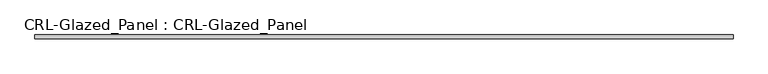
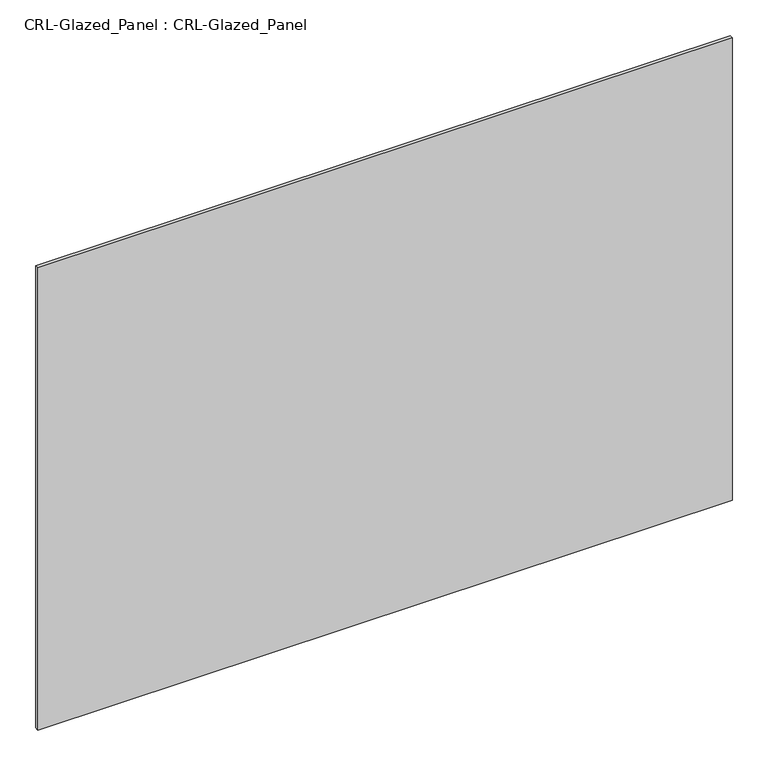
"""IFC4 building model written with IfcOpenShell, lengths in millimetres: plate geometry, CRL-Glazed_Panel : CRL-Glazed_Panel."""

from ifc_helpers import new_model, si_unit, origin, origin_with_axes, place, context, project, spatial, polyline, outline, extrude, source, transform, mapped, element, save


def crl_glazed_panel_crl_glazed_panel_dafc74b9(model_context):
    return source(origin(), model_context, "Body", "SweptSolid", [
        extrude(outline(polyline([(564.6208333, 3.1749999), (564.6208333, -3.1749999), (-564.6208333, -3.1749999), (-564.6208333, 3.1749999), (564.6208333, 3.1749999)])), origin_with_axes(), (0.0, 0.0, 1.0), 794.5565195),
    ])


if __name__ == "__main__":
    model = new_model("IFC4")
    model_context = context("Model", 3, world=origin())
    ifc_project = project(units=[si_unit("LENGTHUNIT", "METRE", prefix="MILLI")], contexts=[model_context])
    site = spatial("IfcSite", under=ifc_project)
    building = spatial("IfcBuilding", under=site)
    placement = place(None, origin())
    crl_glazed_panel_crl_glazed_panel_shape = crl_glazed_panel_crl_glazed_panel_dafc74b9(model_context)
    element("IfcPlate", 1, ObjectType="CRL-Glazed_Panel : CRL-Glazed_Panel", at=placement, inside=building, context=model_context, shape_type="MappedRepresentation", body=[
        mapped(crl_glazed_panel_crl_glazed_panel_shape, transform((0.0, 0.0, 0.0), x_axis=(1.0, 0.0, 0.0), y_axis=(0.0, 1.0, 0.0), z_axis=(0.0, 0.0, 1.0))),
    ])
    save(model, "model.ifc")
